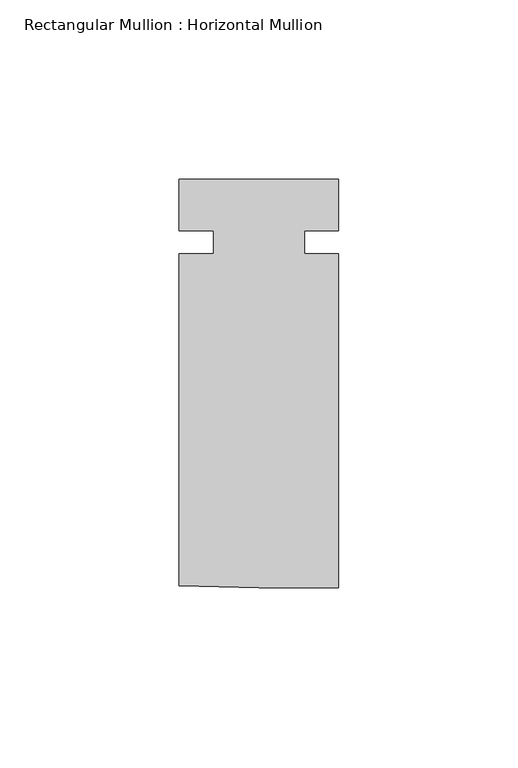
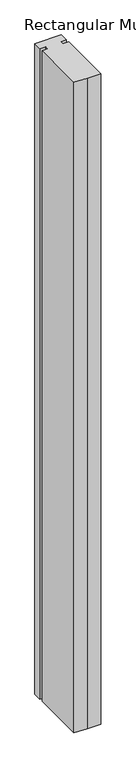
"""IFC4 building model written with IfcOpenShell, lengths in millimetres: member geometry, Rectangular Mullion : Horizontal Mullion."""

from ifc_helpers import new_model, si_unit, frame, origin, place, context, project, spatial, polyline, outline, extrude, source, transform, mapped, element, save


def rectangular_mullion_horizontal_mullion_acbe14a5(model_context):
    return source(origin(), model_context, "Body", "SweptSolid", [
        extrude(outline(polyline([(22.225, -96.393), (-0.020511, -96.393), (-22.225, -95.8448729), (-22.225, -3.175), (-12.6746, -3.175), (-12.6746, 3.175), (-22.225, 3.175), (-22.225, 17.5006), (22.225, 17.5006), (22.225, 3.175), (12.7246218, 3.175), (12.7246218, -3.175), (22.225, -3.175), (22.225, -96.393)])), frame((0.0, 0.0, -1152.525), z_axis=(0.0, 0.0, 1.0), x_axis=(1.0, 0.0, 0.0)), (0.0, 0.0, 1.0), 1152.525),
    ])


if __name__ == "__main__":
    model = new_model("IFC4")
    model_context = context("Model", 3, world=origin())
    ifc_project = project(units=[si_unit("LENGTHUNIT", "METRE", prefix="MILLI")], contexts=[model_context])
    site = spatial("IfcSite", under=ifc_project)
    building = spatial("IfcBuilding", under=site)
    placement = place(None, origin())
    rectangular_mullion_horizontal_mullion_shape = rectangular_mullion_horizontal_mullion_acbe14a5(model_context)
    element("IfcMember", 1, ObjectType="Rectangular Mullion : Horizontal Mullion", at=placement, inside=building, context=model_context, shape_type="MappedRepresentation", body=[
        mapped(rectangular_mullion_horizontal_mullion_shape, transform((0.0, 0.0, 0.0), x_axis=(1.0, 0.0, 0.0), y_axis=(0.0, 1.0, 0.0), z_axis=(0.0, 0.0, 1.0))),
    ])
    save(model, "model.ifc")
